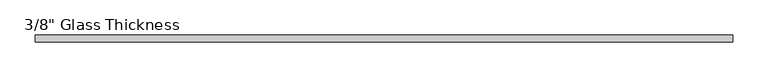
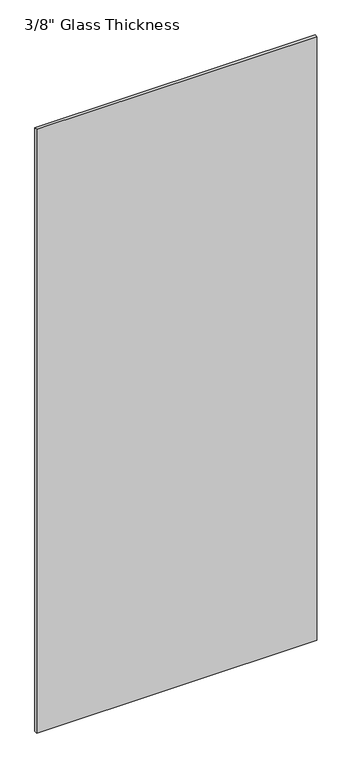
"""IFC4 building model written with IfcOpenShell, lengths in millimetres: plate geometry."""

from ifc_helpers import new_model, si_unit, origin, origin_with_axes, place, context, project, spatial, polyline, outline, extrude, source, transform, mapped, element, save


def plate_19c1c3b9(model_context):
    return source(origin(), model_context, "Body", "SweptSolid", [
        extrude(outline(polyline([(498.0, 0.0), (-498.0, 0.0), (-498.0, 10.0), (498.0, 10.0), (498.0, 0.0)])), origin_with_axes(), (0.0, 0.0, 1.0), 2267.0),
    ])


if __name__ == "__main__":
    model = new_model("IFC4")
    model_context = context("Model", 3, world=origin())
    ifc_project = project(units=[si_unit("LENGTHUNIT", "METRE", prefix="MILLI")], contexts=[model_context])
    site = spatial("IfcSite", under=ifc_project)
    building = spatial("IfcBuilding", under=site)
    placement = place(None, origin())
    plate_shape = plate_19c1c3b9(model_context)
    element("IfcPlate", 1, ObjectType="3/8\" Glass Thickness", at=placement, inside=building, context=model_context, shape_type="MappedRepresentation", body=[
        mapped(plate_shape, transform((0.0, 0.0, 0.0), x_axis=(1.0, 0.0, 0.0), y_axis=(0.0, 1.0, 0.0), z_axis=(0.0, 0.0, 1.0))),
    ])
    save(model, "model.ifc")
